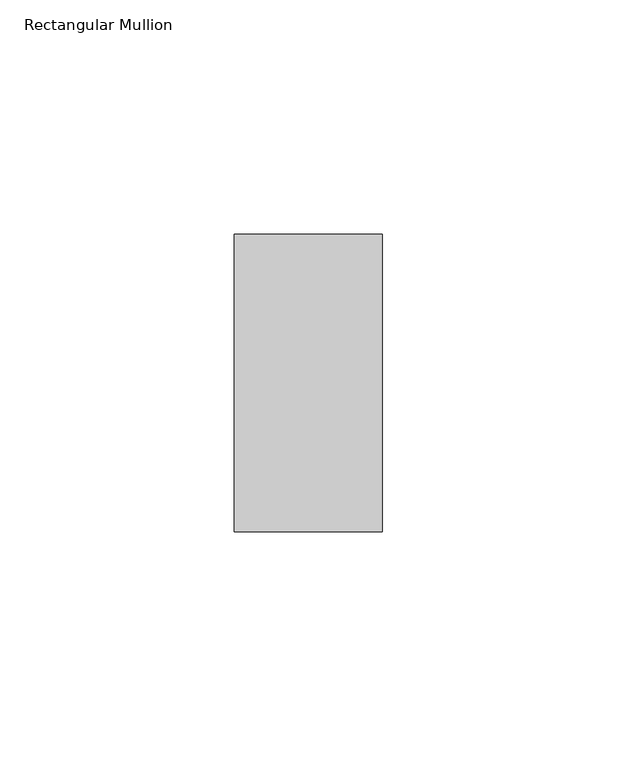
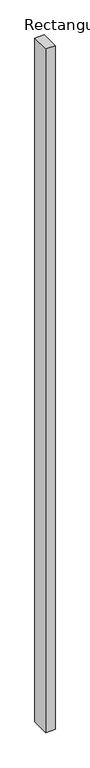
"""IFC4 building model written with IfcOpenShell, lengths in millimetres: member geometry, Rectangular Mullion."""

from ifc_helpers import new_model, si_unit, frame, origin, place, context, project, spatial, polyline, outline, extrude, source, transform, mapped, element, save


def rectangular_mullion_14b50b7b(model_context):
    return source(origin(), model_context, "Body", "SweptSolid", [
        extrude(outline(polyline([(0.0, -31.7489583), (-31.623, -31.7489583), (-31.623, 31.7489583), (0.0, 31.7489583), (0.0, -31.7489583)])), frame((0.0, 0.0, -2451.1), z_axis=(0.0, 0.0, 1.0), x_axis=(1.0, 0.0, 0.0)), (0.0, 0.0, 1.0), 2451.1),
    ])


if __name__ == "__main__":
    model = new_model("IFC4")
    model_context = context("Model", 3, world=origin())
    ifc_project = project(units=[si_unit("LENGTHUNIT", "METRE", prefix="MILLI")], contexts=[model_context])
    site = spatial("IfcSite", under=ifc_project)
    building = spatial("IfcBuilding", under=site)
    placement = place(None, origin())
    rectangular_mullion_shape = rectangular_mullion_14b50b7b(model_context)
    element("IfcMember", 1, ObjectType="Rectangular Mullion", at=placement, inside=building, context=model_context, shape_type="MappedRepresentation", body=[
        mapped(rectangular_mullion_shape, transform((0.0, 0.0, 0.0), x_axis=(1.0, 0.0, 0.0), y_axis=(0.0, 1.0, 0.0), z_axis=(0.0, 0.0, 1.0))),
    ])
    save(model, "model.ifc")
